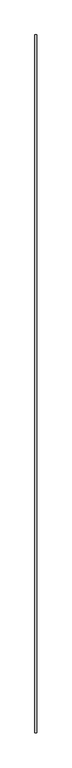
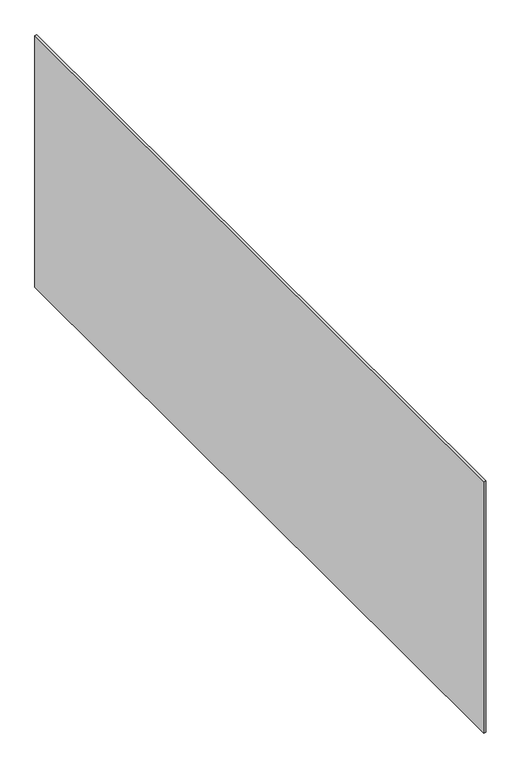
"""IFC4 building model written with IfcOpenShell, lengths in millimetres: proxy geometry."""

from ifc_helpers import new_model, si_unit, origin, origin_with_axes, place, context, project, spatial, polyline, outline, extrude, source, transform, mapped, element, save


def generic_models_effa2908(model_context):
    return source(origin(), model_context, "Body", "SweptSolid", [
        extrude(outline(polyline([(10.0, 3800.0), (10.0, 0.0), (0.0, 0.0), (0.0, 3800.0), (10.0, 3800.0)])), origin_with_axes(), (0.0, 0.0, 1.0), 1300.0),
    ])


if __name__ == "__main__":
    model = new_model("IFC4")
    model_context = context("Model", 3, world=origin())
    ifc_project = project(units=[si_unit("LENGTHUNIT", "METRE", prefix="MILLI")], contexts=[model_context])
    site = spatial("IfcSite", under=ifc_project)
    building = spatial("IfcBuilding", under=site)
    placement = place(None, origin())
    generic_models_shape = generic_models_effa2908(model_context)
    element("IfcBuildingElementProxy", 1, Name="Generic Models", at=placement, inside=building, context=model_context, shape_type="MappedRepresentation", body=[
        mapped(generic_models_shape, transform((0.0, 0.0, 0.0), x_axis=(1.0, 0.0, 0.0), y_axis=(0.0, 1.0, 0.0), z_axis=(0.0, 0.0, 1.0))),
    ])
    save(model, "model.ifc")
